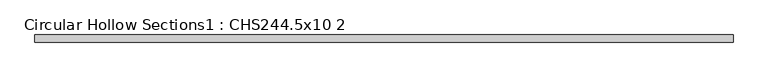
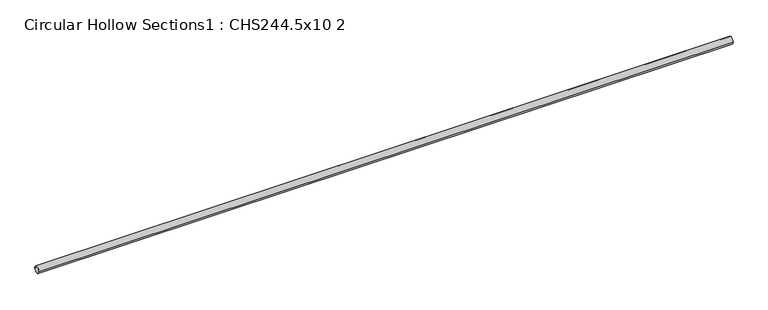
"""IFC4 building model written with IfcOpenShell, lengths in millimetres: beam geometry, Circular Hollow Sections1 : CHS244.5x10 2."""

from ifc_helpers import new_model, si_unit, point, frame, origin, origin_2d, place, context, project, spatial, circle_curve, trimmed, segment, composite_curve, outline, extrude, source, transform, mapped, element, save


def circular_hollow_sections1_chs244_5x10_2_b3ddc5de(model_context):
    return source(origin(), model_context, "Body", "SweptSolid", [
        extrude(outline(composite_curve([segment(trimmed(circle_curve(origin_2d(), 122.25), [point((-122.25, 0.0))], [point((122.25, 0.0))], False, "CARTESIAN"), True, "CONTINUOUS"), segment(trimmed(circle_curve(origin_2d(), 122.25), [point((122.25, 0.0))], [point((-122.25, 0.0))], False, "CARTESIAN"), True, "CONTINUOUS")], self_intersect=False), holes=[composite_curve([segment(trimmed(circle_curve(origin_2d(), 112.25), [point((112.25, 0.0))], [point((-112.25, 0.0))], True, "CARTESIAN"), True, "CONTINUOUS"), segment(trimmed(circle_curve(origin_2d(), 112.25), [point((-112.25, 0.0))], [point((112.25, 0.0))], True, "CARTESIAN"), True, "CONTINUOUS")], self_intersect=False)]), frame((-11987.3, 0.0, 0.0), z_axis=(1.0, 0.0, 0.0), x_axis=(0.0, 1.0, 0.0)), (0.0, 0.0, 1.0), 23974.6),
    ])


if __name__ == "__main__":
    model = new_model("IFC4")
    model_context = context("Model", 3, world=origin())
    ifc_project = project(units=[si_unit("LENGTHUNIT", "METRE", prefix="MILLI")], contexts=[model_context])
    site = spatial("IfcSite", under=ifc_project)
    building = spatial("IfcBuilding", under=site)
    placement = place(None, origin())
    circular_hollow_sections1_chs244_5x10_2_shape = circular_hollow_sections1_chs244_5x10_2_b3ddc5de(model_context)
    element("IfcBeam", 1, ObjectType="Circular Hollow Sections1 : CHS244.5x10 2", at=placement, inside=building, context=model_context, shape_type="MappedRepresentation", body=[
        mapped(circular_hollow_sections1_chs244_5x10_2_shape, transform((0.0, 0.0, 0.0), x_axis=(1.0, 0.0, 0.0), y_axis=(0.0, 1.0, 0.0), z_axis=(0.0, 0.0, 1.0))),
    ])
    save(model, "model.ifc")
